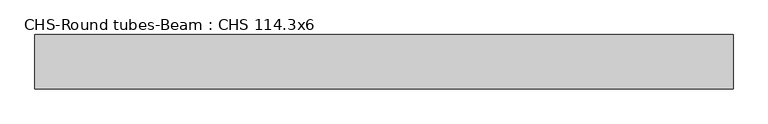
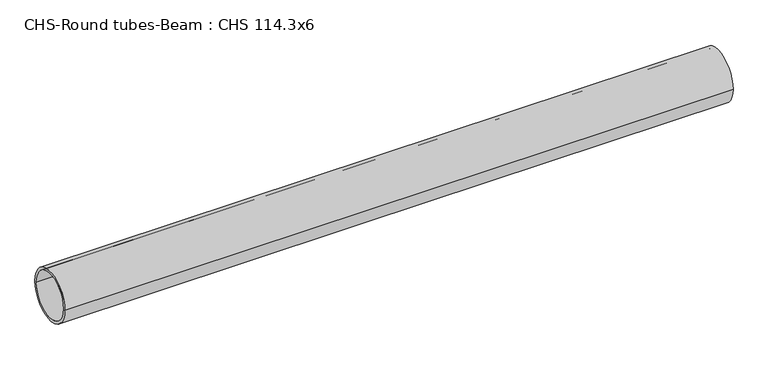
"""IFC4 building model written with IfcOpenShell, lengths in millimetres: beam geometry, CHS-Round tubes-Beam : CHS 114.3x6."""

from ifc_helpers import new_model, si_unit, point, frame, origin, origin_2d, place, context, project, spatial, circle_curve, trimmed, segment, composite_curve, outline, extrude, source, transform, mapped, element, save


def chs_round_tubes_beam_chs_114_3x6_a352c67b(model_context):
    return source(origin(), model_context, "Body", "SweptSolid", [
        extrude(outline(composite_curve([segment(trimmed(circle_curve(origin_2d(), 57.15), [point((57.15, 0.0))], [point((-57.15, 0.0))], False, "CARTESIAN"), True, "CONTINUOUS"), segment(trimmed(circle_curve(origin_2d(), 57.15), [point((-57.15, 0.0))], [point((57.15, 0.0))], False, "CARTESIAN"), True, "CONTINUOUS")], self_intersect=False), holes=[composite_curve([segment(trimmed(circle_curve(origin_2d(), 51.15), [point((51.15, 0.0))], [point((-51.15, 0.0))], True, "CARTESIAN"), True, "CONTINUOUS"), segment(trimmed(circle_curve(origin_2d(), 51.15), [point((-51.15, 0.0))], [point((51.15, 0.0))], True, "CARTESIAN"), True, "CONTINUOUS")], self_intersect=False)]), frame((-736.4053953, 0.0, 0.0), z_axis=(1.0, 0.0, 0.0), x_axis=(0.0, 1.0, 0.0)), (0.0, 0.0, 1.0), 1472.1792592),
    ])


if __name__ == "__main__":
    model = new_model("IFC4")
    model_context = context("Model", 3, world=origin())
    ifc_project = project(units=[si_unit("LENGTHUNIT", "METRE", prefix="MILLI")], contexts=[model_context])
    site = spatial("IfcSite", under=ifc_project)
    building = spatial("IfcBuilding", under=site)
    placement = place(None, origin())
    chs_round_tubes_beam_chs_114_3x6_shape = chs_round_tubes_beam_chs_114_3x6_a352c67b(model_context)
    element("IfcBeam", 1, ObjectType="CHS-Round tubes-Beam : CHS 114.3x6", at=placement, inside=building, context=model_context, shape_type="MappedRepresentation", body=[
        mapped(chs_round_tubes_beam_chs_114_3x6_shape, transform((0.0, 0.0, 0.0), x_axis=(1.0, 0.0, 0.0), y_axis=(0.0, 1.0, 0.0), z_axis=(0.0, 0.0, 1.0))),
    ])
    save(model, "model.ifc")
